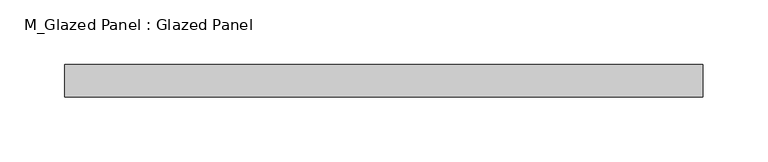
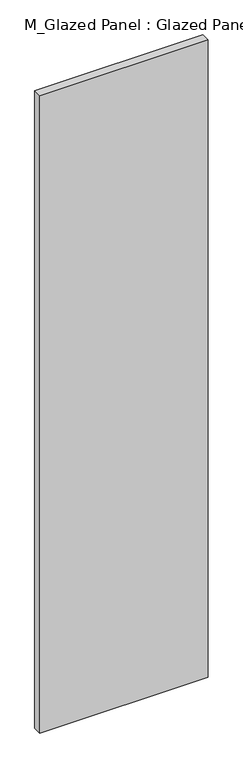
"""IFC4 building model written with IfcOpenShell, lengths in millimetres: plate geometry, M_Glazed Panel : Glazed Panel."""

import ifcopenshell
import ifcopenshell.guid

model = None  # the IFC model being written
_history = None  # IfcOwnerHistory: only IFC2X3 demands one
_inside = {}  # id of a spatial element -> (the spatial element, [elements in it])
_under = {}  # id of a project, library or spatial element -> (it, [spatial elements below it])
_declared = {}  # id of a project -> (the project, [libraries it declares])
_typed = {}  # id of a type object -> (the type object, [elements of that type])
_made_of = {}  # id of a material, layer set ... -> (it, [elements and type objects made of it])


def new_model(schema):
    """Start an empty IFC model of exactly this schema.

    Asked for "IFC4X3", IfcOpenShell would pick the latest addendum, in which some entities
    have other attributes; the version numbers below select the first issue.
    IFC2X3 requires an IfcOwnerHistory on every rooted entity: one is made here for all.
    """
    global model, _history
    if schema == "IFC4X3":
        model = ifcopenshell.file(schema_version=(4, 3, 0, 0))
    else:
        model = ifcopenshell.file(schema=schema)
    _inside.clear()
    _under.clear()
    _declared.clear()
    _typed.clear()
    _made_of.clear()
    _history = None
    if model.schema == "IFC2X3":
        org = make("IfcOrganization", Name="unknown")
        user = make(
            "IfcPersonAndOrganization",
            ThePerson=make("IfcPerson", FamilyName="unknown"),
            TheOrganization=org,
        )
        app = make(
            "IfcApplication",
            ApplicationDeveloper=org,
            Version="unknown",
            ApplicationFullName="unknown",
            ApplicationIdentifier="unknown",
        )
        _history = make(
            "IfcOwnerHistory",
            OwningUser=user,
            OwningApplication=app,
            ChangeAction="ADDED",
            CreationDate=0,
        )
    return model


def make(cls, **values):
    """One entity of the class cls with the attributes given. An attribute that is None is left unset."""
    return model.create_entity(
        cls, **{name: value for name, value in values.items() if value is not None}
    )


def rooted(cls, **values):
    """An entity with a GlobalId (a new one), such as an element, a storey or a relation."""
    return make(cls, GlobalId=ifcopenshell.guid.new(), OwnerHistory=_history, **values)


def si_unit(unit_type, name, prefix=None):
    """IfcSIUnit, for example si_unit("LENGTHUNIT", "METRE", prefix="MILLI")."""
    return make("IfcSIUnit", UnitType=unit_type, Prefix=prefix, Name=name)


def assignment(units):
    """IfcUnitAssignment: the units of a project."""
    return None if units is None else make("IfcUnitAssignment", Units=units)


def point(xyz):
    """IfcCartesianPoint."""
    return None if xyz is None else make("IfcCartesianPoint", Coordinates=xyz)


def direction(xyz):
    """IfcDirection."""
    return None if xyz is None else make("IfcDirection", DirectionRatios=xyz)


def frame(location, z_axis=None, x_axis=None):
    """IfcAxis2Placement3D, a coordinate frame: its origin and axes. An axis left out is left unset."""
    return make(
        "IfcAxis2Placement3D",
        Location=point(location),
        Axis=direction(z_axis),
        RefDirection=direction(x_axis),
    )


def origin():
    """The frame at (0, 0, 0) with its axes left unset."""
    return frame((0.0, 0.0, 0.0))


def origin_with_axes():
    """The frame at (0, 0, 0) with the z axis (0, 0, 1) and the x axis (1, 0, 0) written out."""
    return frame((0.0, 0.0, 0.0), z_axis=(0.0, 0.0, 1.0), x_axis=(1.0, 0.0, 0.0))


def place(relative_to, where):
    """IfcLocalPlacement: puts the frame where relative to a parent placement (None: the world)."""
    return make(
        "IfcLocalPlacement", PlacementRelTo=relative_to, RelativePlacement=where
    )


def context(
    kind, dimensions, precision=None, world=None, true_north=None, identifier=None
):
    """IfcGeometricRepresentationContext, for example the 3D "Model" context."""
    return make(
        "IfcGeometricRepresentationContext",
        ContextIdentifier=identifier,
        ContextType=kind,
        CoordinateSpaceDimension=dimensions,
        Precision=precision,
        WorldCoordinateSystem=world,
        TrueNorth=true_north,
    )


def project(units=None, contexts=None):
    """IfcProject with its units and contexts."""
    return rooted(
        "IfcProject",
        Name="project",
        RepresentationContexts=contexts,
        UnitsInContext=assignment(units),
    )


def spatial(cls, under=None, at=None, **own):
    """A site, building, storey or space (cls), placed at a placement, below another one or the project."""
    s = rooted(cls, ObjectPlacement=at, **own)
    if under is not None:
        _under.setdefault(under.id(), (under, []))[1].append(s)
    return s


def polyline(points):
    """IfcPolyline through the points."""
    return make("IfcPolyline", Points=[point(p) for p in points])


def outline(outer, holes=None, kind="AREA"):
    """IfcArbitraryClosedProfileDef: a profile drawn as a closed curve; with holes, ...WithVoids."""
    if holes is None:
        return make("IfcArbitraryClosedProfileDef", ProfileType=kind, OuterCurve=outer)
    return make(
        "IfcArbitraryProfileDefWithVoids",
        ProfileType=kind,
        OuterCurve=outer,
        InnerCurves=holes,
    )


def extrude(swept, where, along, depth):
    """IfcExtrudedAreaSolid: the profile swept, set in the frame where, extruded along a direction by depth."""
    return make(
        "IfcExtrudedAreaSolid",
        SweptArea=swept,
        Position=where,
        ExtrudedDirection=direction(along),
        Depth=depth,
    )


def shape(context_of_items, identifier, shape_type, items):
    """IfcShapeRepresentation: the items that make up one representation, for example the "Body"."""
    return make(
        "IfcShapeRepresentation",
        ContextOfItems=context_of_items,
        RepresentationIdentifier=identifier,
        RepresentationType=shape_type,
        Items=items,
    )


def source(mapping_origin, context_of_items, identifier, shape_type, items):
    """IfcRepresentationMap: a shape defined once, which mapped items show again and again."""
    return make(
        "IfcRepresentationMap",
        MappingOrigin=mapping_origin,
        MappedRepresentation=shape(context_of_items, identifier, shape_type, items),
    )


def transform(
    local_origin,
    x_axis=None,
    y_axis=None,
    z_axis=None,
    scale=None,
    scale2=None,
    scale3=None,
    uniform=True,
):
    """IfcCartesianTransformationOperator3D, or its non-uniform kind. x_axis, y_axis, z_axis: its Axis1, 2, 3."""
    if uniform:
        return make(
            "IfcCartesianTransformationOperator3D",
            Axis1=direction(x_axis),
            Axis2=direction(y_axis),
            LocalOrigin=point(local_origin),
            Scale=scale,
            Axis3=direction(z_axis),
        )
    return make(
        "IfcCartesianTransformationOperator3DnonUniform",
        Axis1=direction(x_axis),
        Axis2=direction(y_axis),
        LocalOrigin=point(local_origin),
        Scale=scale,
        Axis3=direction(z_axis),
        Scale2=scale2,
        Scale3=scale3,
    )


def mapped(mapping_source, mapping_target):
    """IfcMappedItem: shows the shape of a source again, moved by a transform."""
    return make(
        "IfcMappedItem", MappingSource=mapping_source, MappingTarget=mapping_target
    )


def made_of(thing, what):
    """Note that an element or type object is made of a material, layer set ...; save() writes the relation."""
    if what is not None:
        _made_of.setdefault(what.id(), (what, []))[1].append(thing)
    return thing


def element(
    cls,
    number,
    at=None,
    inside=None,
    cuts=None,
    type_object=None,
    material=None,
    context=None,
    identifier="Body",
    shape_type=None,
    held_by="IfcProductDefinitionShape",
    body=None,
    shapes=None,
    **own,
):
    """One element of the class cls, such as IfcWall. Its Tag is "e" and its number.

    at: its placement. inside: the storey or other place that contains it. cuts: it is an
    opening in that element (IfcRelVoidsElement). A single representation is given by context,
    identifier, shape_type and body (its items); several are given by shapes. held_by: the class
    of the entity that holds the representations. save() writes the other relations.
    """
    e = rooted(cls, Tag="e%d" % number, ObjectPlacement=at, **own)
    if body is not None:
        shapes = [shape(context, identifier, shape_type, body)]
    if shapes is not None:
        e.Representation = make(held_by, Representations=shapes)
    if inside is not None:
        _inside.setdefault(inside.id(), (inside, []))[1].append(e)
    if cuts is not None:
        rooted(
            "IfcRelVoidsElement", RelatingBuildingElement=cuts, RelatedOpeningElement=e
        )
    if type_object is not None:
        _typed.setdefault(type_object.id(), (type_object, []))[1].append(e)
    return made_of(e, material)


def aggregate(whole, parts):
    """IfcRelAggregates: a whole, such as a stair, and the parts it consists of."""
    return rooted("IfcRelAggregates", RelatingObject=whole, RelatedObjects=parts)


def save(model, path):
    """Write the relations noted so far, then the file.

    IfcRelAggregates (storeys below a building ...), IfcRelContainedInSpatialStructure (elements
    in a storey), IfcRelDefinesByType, IfcRelAssociatesMaterial and IfcRelDeclares: one each for
    every whole, place, type object, material and project.
    """
    for whole, parts in _under.values():
        aggregate(whole, parts)
    for where, things in _inside.values():
        rooted(
            "IfcRelContainedInSpatialStructure",
            RelatedElements=things,
            RelatingStructure=where,
        )
    for kind, things in _typed.values():
        rooted("IfcRelDefinesByType", RelatedObjects=things, RelatingType=kind)
    for what, things in _made_of.values():
        rooted("IfcRelAssociatesMaterial", RelatedObjects=things, RelatingMaterial=what)
    for by, libraries in _declared.values():
        rooted("IfcRelDeclares", RelatingContext=by, RelatedDefinitions=libraries)
    model.write(path)


def m_glazed_panel_glazed_panel_9e85fad1(model_context):
    return source(origin(), model_context, "Body", "SweptSolid", [
        extrude(outline(polyline([(246.5040029, -38.5), (246.5040029, -63.5), (-246.5040029, -63.5), (-246.5040029, -38.5), (246.5040029, -38.5)])), origin_with_axes(), (0.0, 0.0, 1.0), 1975.0),
    ])


if __name__ == "__main__":
    model = new_model("IFC4")
    model_context = context("Model", 3, world=origin())
    ifc_project = project(units=[si_unit("LENGTHUNIT", "METRE", prefix="MILLI")], contexts=[model_context])
    site = spatial("IfcSite", under=ifc_project)
    building = spatial("IfcBuilding", under=site)
    placement = place(None, origin())
    m_glazed_panel_glazed_panel_shape = m_glazed_panel_glazed_panel_9e85fad1(model_context)
    element("IfcPlate", 1, ObjectType="M_Glazed Panel : Glazed Panel", at=placement, inside=building, context=model_context, shape_type="MappedRepresentation", body=[
        mapped(m_glazed_panel_glazed_panel_shape, transform((0.0, 0.0, 0.0), x_axis=(1.0, 0.0, 0.0), y_axis=(0.0, 1.0, 0.0), z_axis=(0.0, 0.0, 1.0))),
    ])
    save(model, "model.ifc")
